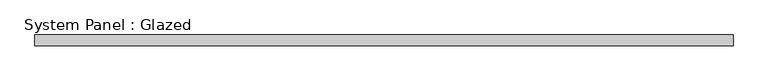
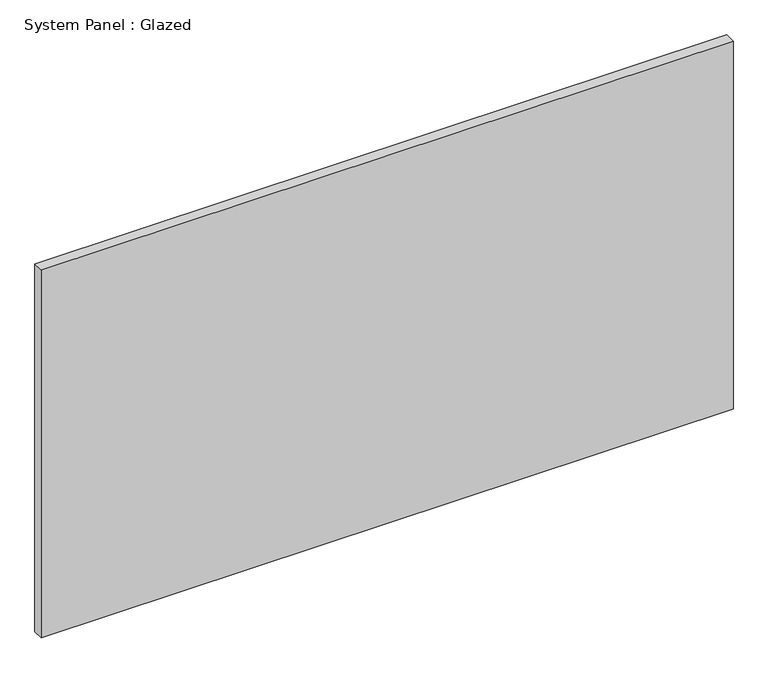
"""IFC4 building model written with IfcOpenShell, lengths in millimetres: plate geometry, System Panel : Glazed."""

from ifc_helpers import new_model, si_unit, origin, origin_with_axes, place, context, project, spatial, polyline, outline, extrude, source, transform, mapped, element, save


def system_panel_glazed_9eb23255(model_context):
    return source(origin(), model_context, "Body", "SweptSolid", [
        extrude(outline(polyline([(800.0, 24.5), (-800.0, 24.5), (-800.0, 49.5), (800.0, 49.5), (800.0, 24.5)])), origin_with_axes(), (0.0, 0.0, 1.0), 900.0),
    ])


if __name__ == "__main__":
    model = new_model("IFC4")
    model_context = context("Model", 3, world=origin())
    ifc_project = project(units=[si_unit("LENGTHUNIT", "METRE", prefix="MILLI")], contexts=[model_context])
    site = spatial("IfcSite", under=ifc_project)
    building = spatial("IfcBuilding", under=site)
    placement = place(None, origin())
    system_panel_glazed_shape = system_panel_glazed_9eb23255(model_context)
    element("IfcPlate", 1, ObjectType="System Panel : Glazed", at=placement, inside=building, context=model_context, shape_type="MappedRepresentation", body=[
        mapped(system_panel_glazed_shape, transform((0.0, 0.0, 0.0), x_axis=(1.0, 0.0, 0.0), y_axis=(0.0, 1.0, 0.0), z_axis=(0.0, 0.0, 1.0))),
    ])
    save(model, "model.ifc")
